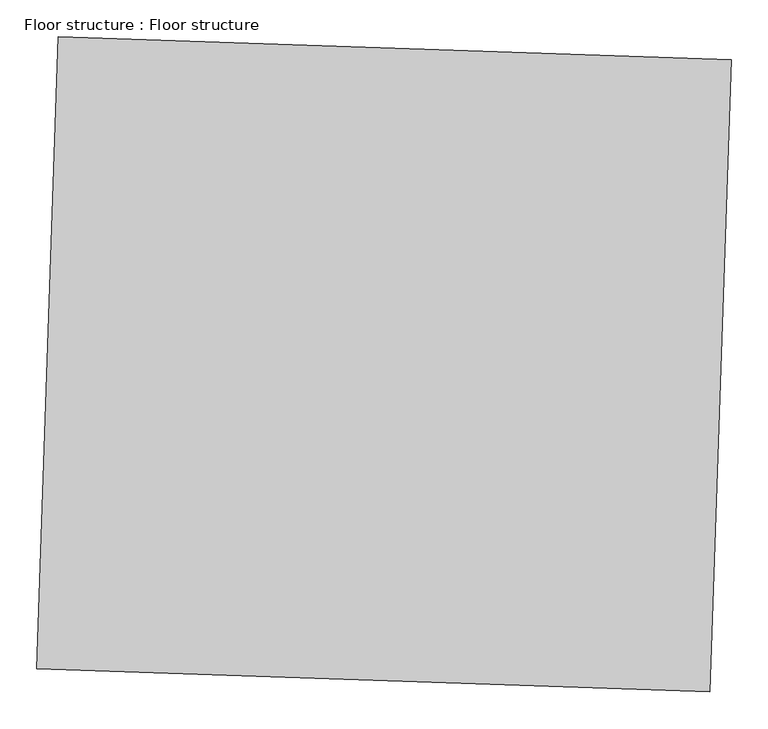
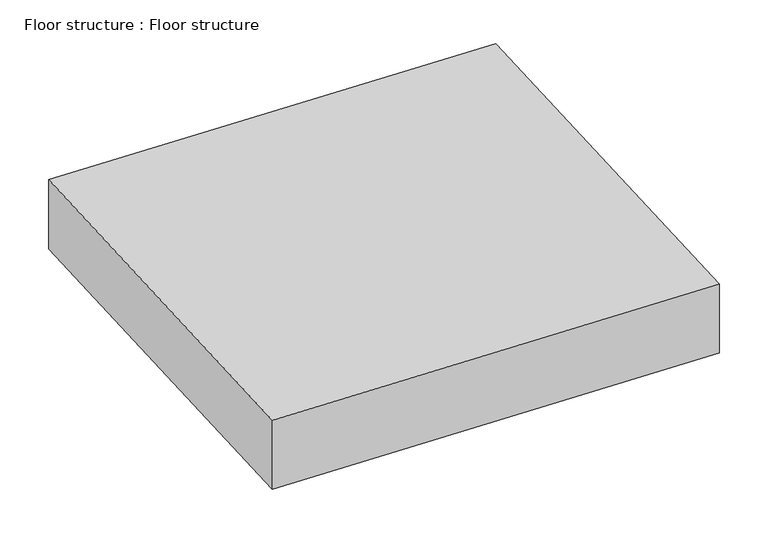
"""IFC4 building model written with IfcOpenShell, lengths in millimetres: proxy geometry, Floor structure : Floor structure."""

from ifc_helpers import new_model, si_unit, origin, origin_with_axes, place, context, project, spatial, polyline, outline, extrude, source, transform, mapped, element, save


def floor_structure_floor_structure_7c6382b5(model_context):
    return source(origin(), model_context, "Body", "SweptSolid", [
        extrude(outline(polyline([(33404.8173939, -16488.0345377), (33434.1908581, -15629.7085221), (34348.0558864, -15660.9826314), (34318.6824223, -16519.308647), (33404.8173939, -16488.0345377)])), origin_with_axes(), (0.0, 0.0, 1.0), 152.3999903),
    ])


if __name__ == "__main__":
    model = new_model("IFC4")
    model_context = context("Model", 3, world=origin())
    ifc_project = project(units=[si_unit("LENGTHUNIT", "METRE", prefix="MILLI")], contexts=[model_context])
    site = spatial("IfcSite", under=ifc_project)
    building = spatial("IfcBuilding", under=site)
    placement = place(None, origin())
    floor_structure_floor_structure_shape = floor_structure_floor_structure_7c6382b5(model_context)
    element("IfcBuildingElementProxy", 1, Name="Floor structure : Floor structure", ObjectType="Floor structure : Floor structure", at=placement, inside=building, context=model_context, shape_type="MappedRepresentation", body=[
        mapped(floor_structure_floor_structure_shape, transform((0.0, 0.0, 0.0), x_axis=(1.0, 0.0, 0.0), y_axis=(0.0, 1.0, 0.0), z_axis=(0.0, 0.0, 1.0))),
    ])
    save(model, "model.ifc")
